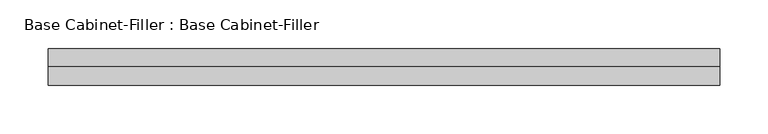
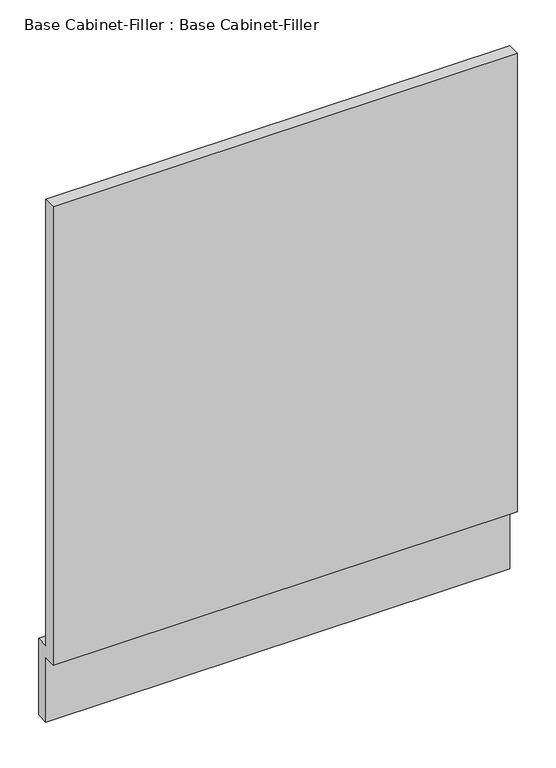
"""IFC4 building model written with IfcOpenShell, lengths in millimetres: furniture geometry, Base Cabinet-Filler : Base Cabinet-Filler."""

from ifc_helpers import new_model, si_unit, frame, origin, place, context, project, spatial, polyline, outline, extrude, source, transform, mapped, element, save


def base_cabinet_filler_base_cabinet_filler_44166a8a(model_context):
    return source(origin(), model_context, "Body", "SweptSolid", [
        extrude(outline(polyline([(-590.55, 101.6), (-590.55, 825.5), (-571.5, 825.5), (-571.5, 120.65), (-552.45, 120.65), (-552.45, 0.0), (-571.5, 0.0), (-571.5, 101.6), (-590.55, 101.6)])), frame((-327.6785863, 0.0, 0.0), z_axis=(1.0, 0.0, 0.0), x_axis=(0.0, 1.0, 0.0)), (0.0, 0.0, 1.0), 692.8325825),
    ])


if __name__ == "__main__":
    model = new_model("IFC4")
    model_context = context("Model", 3, world=origin())
    ifc_project = project(units=[si_unit("LENGTHUNIT", "METRE", prefix="MILLI")], contexts=[model_context])
    site = spatial("IfcSite", under=ifc_project)
    building = spatial("IfcBuilding", under=site)
    placement = place(None, origin())
    base_cabinet_filler_base_cabinet_filler_shape = base_cabinet_filler_base_cabinet_filler_44166a8a(model_context)
    element("IfcFurniture", 1, ObjectType="Base Cabinet-Filler : Base Cabinet-Filler", at=placement, inside=building, context=model_context, shape_type="MappedRepresentation", body=[
        mapped(base_cabinet_filler_base_cabinet_filler_shape, transform((0.0, 0.0, 0.0), x_axis=(1.0, 0.0, 0.0), y_axis=(0.0, 1.0, 0.0), z_axis=(0.0, 0.0, 1.0))),
    ])
    save(model, "model.ifc")
